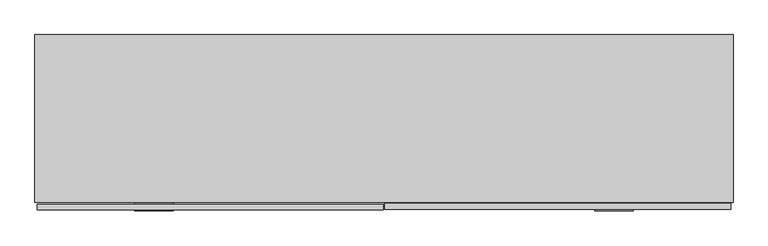
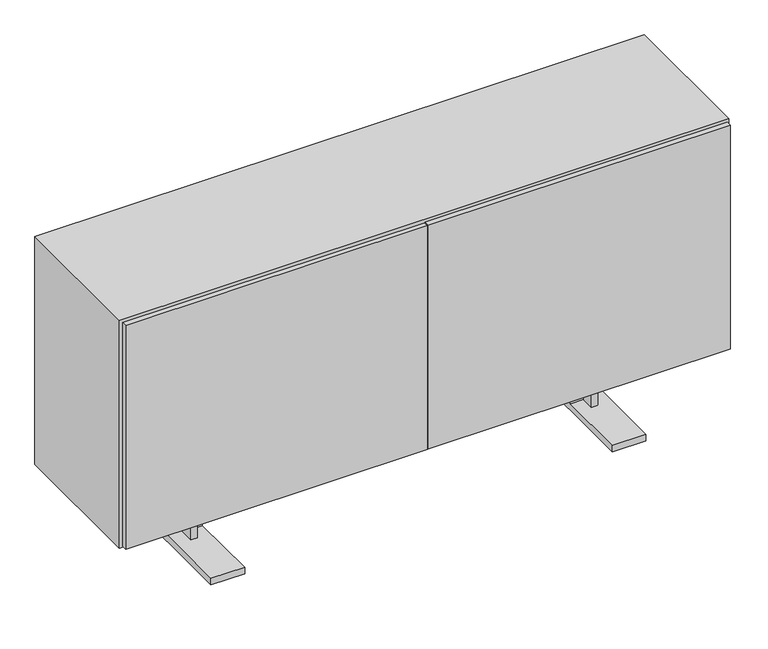
"""IFC4 building model written with IfcOpenShell, lengths in millimetres: furniture geometry."""

from ifc_helpers import new_model, si_unit, frame, origin, place, context, project, spatial, polyline, outline, extrude, faceted_brep, source, transform, mapped, element, save


def furniture_b7fd1a1f(model_context):
    return source(origin(), model_context, "Body", "SolidModel", [
        extrude(outline(polyline([(-2.2220026, 14.0619413), (-2.2220026, -0.9392987), (-892.175, -0.9392987), (-892.175, 14.0619413), (-2.2220026, 14.0619413)])), frame((0.0, 0.0, 196.85), z_axis=(0.0, 0.0, 1.0), x_axis=(1.0, 0.0, 0.0)), (0.0, 0.0, 1.0), 698.5),
        extrude(outline(polyline([(892.175, 15.9405387), (892.175, 0.9392987), (2.2220026, 0.9392987), (2.2220026, 15.9405387), (892.175, 15.9405387)])), frame((0.0, 0.0, 196.85), z_axis=(0.0, 0.0, 1.0), x_axis=(1.0, 0.0, 0.0)), (0.0, 0.0, 1.0), 698.5),
        extrude(outline(polyline([(879.475, 19.0420174), (-879.475, 19.0420174), (-879.475, 431.8), (879.475, 431.8), (879.475, 19.0420174)])), frame((0.0, 0.0, 536.575), z_axis=(0.0, 0.0, 1.0), x_axis=(1.0, 0.0, 0.0)), (0.0, 0.0, 1.0), 19.05),
        faceted_brep([(898.525, 19.0420174, 901.7), (-898.525, 19.0420174, 901.7), (-898.525, 19.0420174, 190.5), (898.525, 19.0420174, 190.5), (-879.475, 19.0420174, 882.65), (879.475, 19.0420174, 882.65), (879.475, 19.0420174, 209.55), (-879.475, 19.0420174, 209.55), (898.525, 450.85, 901.7), (898.525, 450.85, 190.5), (-898.525, 450.85, 190.5), (-898.525, 450.85, 901.7), (-879.475, 431.8, 882.65), (879.475, 431.8, 882.65), (879.475, 431.8, 209.55), (-879.475, 431.8, 209.55)], [[[0, 1, 2, 3], [4, 5, 6, 7]], [[8, 9, 10, 11]], [[1, 0, 8, 11]], [[2, 1, 11, 10]], [[3, 2, 10, 9]], [[0, 3, 9, 8]], [[5, 4, 12, 13]], [[6, 5, 13, 14]], [[7, 6, 14, 15]], [[4, 7, 15, 12]], [[13, 12, 15, 14]]]),
        extrude(outline(polyline([(9.525, 19.0739478), (-9.525, 19.0739478), (-9.525, 423.0566059), (9.525, 423.0566059), (9.525, 19.0739478)])), frame((0.0, 0.0, 209.55), z_axis=(0.0, 0.0, 1.0), x_axis=(1.0, 0.0, 0.0)), (0.0, 0.0, 1.0), 673.1),
        faceted_brep([(-600.0000108, 171.1108775, 190.5), (-580.9500108, 171.1108775, 190.5), (-580.9500108, 211.6109348, 190.5), (580.9500108, 211.6109348, 190.5), (580.9500108, 171.1108775, 190.5), (600.0000108, 171.1108775, 190.5), (600.0000108, 269.1160418, 190.5), (580.9500108, 269.1160418, 190.5), (580.9500108, 230.9134, 190.5), (-580.9500108, 230.9134, 190.5), (-580.9500108, 269.1160418, 190.5), (-600.0000108, 269.1160418, 190.5), (-600.0000108, 171.1108775, 19.8859728), (-580.9500108, 171.1108775, 19.8859728), (-580.9500108, 211.6109348, 19.8859728), (-542.4999595, 211.6109348, 139.7), (542.4999595, 211.6109348, 139.7), (542.4999595, 211.6109348, 19.8859728), (580.9500108, 211.6109348, 19.8859728), (-542.4999595, 211.6109348, 19.8859728), (-542.4999595, 230.9134, 139.7), (-542.4999595, -3.1790836, 19.8859728), (-542.4999595, -3.1790836, 0.0), (-542.4999595, 445.4008393, 0.0), (-542.4999595, 445.4008393, 19.8859728), (-542.4999595, 230.9134, 19.8859728), (542.4999595, 230.9134, 139.7), (-580.9500108, 230.9134, 19.8859728), (580.9500108, 230.9134, 19.8859728), (542.4999595, 230.9134, 19.8859728), (-580.9500108, 269.1160418, 19.8859728), (-600.0000108, 269.1160418, 19.8859728), (580.9500108, 171.1108775, 19.8859728), (600.0000108, 171.1108775, 19.8859728), (542.4999595, 445.4008393, 19.8859728), (542.4999595, 445.4008393, 0.0), (542.4999595, -3.1790836, 0.0), (542.4999595, -3.1790836, 19.8859728), (580.9500108, 269.1160418, 19.8859728), (600.0000108, 269.1160418, 19.8859728), (-641.5000213, 445.4008393, 19.8859728), (-641.5000213, -3.1790836, 19.8859728), (-641.5000213, -3.1790836, 0.0), (-641.5000213, 445.4008393, 0.0), (641.5000213, -3.1790836, 19.8859728), (641.5000213, 445.4008393, 19.8859728), (641.5000213, 445.4008393, 0.0), (641.5000213, -3.1790836, 0.0)], [[[0, 1, 2, 3, 4, 5, 6, 7, 8, 9, 10, 11]], [[1, 0, 12, 13]], [[2, 1, 13, 14]], [[15, 16, 17, 18, 3, 2, 14, 19]], [[20, 15, 19, 21, 22, 23, 24, 25]], [[26, 20, 25, 27, 9, 8, 28, 29]], [[10, 9, 27, 30]], [[11, 10, 30, 31]], [[0, 11, 31, 12]], [[20, 26, 16, 15]], [[5, 4, 32, 33]], [[4, 3, 18, 32]], [[26, 29, 34, 35, 36, 37, 17, 16]], [[8, 7, 38, 28]], [[7, 6, 39, 38]], [[6, 5, 33, 39]], [[24, 40, 41, 21, 19, 14, 13, 12, 31, 30, 27, 25]], [[23, 22, 42, 43]], [[40, 24, 23, 43]], [[41, 40, 43, 42]], [[21, 41, 42, 22]], [[37, 44, 45, 34, 29, 28, 38, 39, 33, 32, 18, 17]], [[35, 46, 47, 36]], [[34, 45, 46, 35]], [[45, 44, 47, 46]], [[44, 37, 36, 47]]]),
    ])


if __name__ == "__main__":
    model = new_model("IFC4")
    model_context = context("Model", 3, world=origin())
    ifc_project = project(units=[si_unit("LENGTHUNIT", "METRE", prefix="MILLI")], contexts=[model_context])
    site = spatial("IfcSite", under=ifc_project)
    building = spatial("IfcBuilding", under=site)
    placement = place(None, origin())
    furniture_shape = furniture_b7fd1a1f(model_context)
    element("IfcFurniture", 1, at=placement, inside=building, context=model_context, shape_type="MappedRepresentation", body=[
        mapped(furniture_shape, transform((0.0, 0.0, 0.0), x_axis=(1.0, 0.0, 0.0), y_axis=(0.0, 1.0, 0.0), z_axis=(0.0, 0.0, 1.0))),
    ])
    save(model, "model.ifc")
